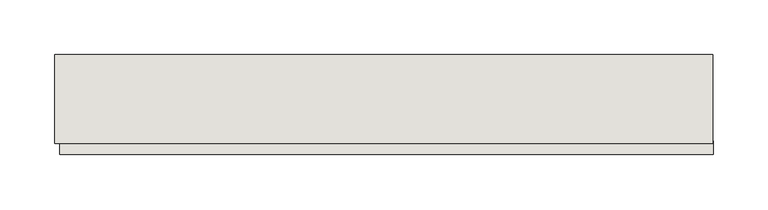
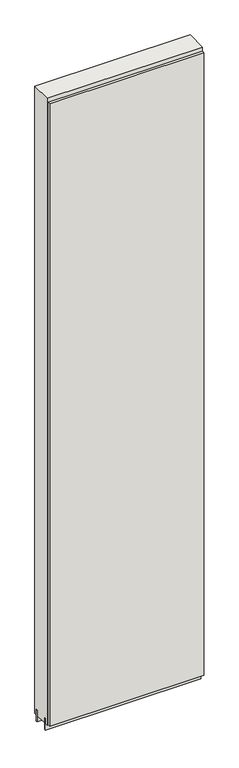
"""IFC4 building model written with IfcOpenShell, lengths in millimetres: wall geometry."""

from ifc_helpers import new_model, si_unit, frame, origin, place, context, project, spatial, polyline, outline, extrude, source, transform, mapped, element, save


def wall_1e6590e9(model_context):
    return source(origin(), model_context, "Body", "SweptSolid", [
        extrude(outline(polyline([(53894.968918, -47669.4636398), (53897.508918, -47669.4636398), (53897.508918, -47672.0036398), (53894.968918, -47672.0036398), (53894.968918, -47669.4636398)])), frame((0.0, 0.0, 4419.6), z_axis=(0.0, 0.0, 1.0), x_axis=(1.0, 0.0, 0.0)), (0.0, 0.0, 1.0), 2.54),
        extrude(outline(polyline([(53897.9741444, -47721.5336398), (53301.3740168, -47721.5336398), (53301.3740168, -47708.8336398), (53897.9741444, -47708.8336398), (53897.9741444, -47721.5336398)])), frame((0.0, 0.0, 4445.0), z_axis=(0.0, 0.0, 1.0), x_axis=(1.0, 0.0, 0.0)), (0.0, 0.0, 1.0), 2545.0498756),
        extrude(outline(polyline([(53296.8956666, -47695.8142856), (53897.503965, -47695.8142856), (53897.503965, -47700.8961398), (53296.8956666, -47700.8961398), (53296.8956666, -47695.8142856)])), frame((0.0, 0.0, 4418.6602), z_axis=(0.0, 0.0, 1.0), x_axis=(1.0, 0.0, 0.0)), (0.0, 0.0, 1.0), 47.625),
        extrude(outline(polyline([(53296.8956666, -47695.8142856), (53897.503965, -47695.8142856), (53897.503965, -47700.8961398), (53296.8956666, -47700.8961398), (53296.8956666, -47695.8142856)])), frame((0.0, 0.0, 4418.6602), z_axis=(0.0, 0.0, 1.0), x_axis=(1.0, 0.0, 0.0)), (0.0, 0.0, 1.0), 47.625),
        extrude(outline(polyline([(53897.503965, -47645.6498952), (53296.8956666, -47645.6498952), (53296.8956666, -47640.5711398), (53897.503965, -47640.5711398), (53897.503965, -47645.6498952)])), frame((0.0, 0.0, 4418.6602), z_axis=(0.0, 0.0, 1.0), x_axis=(1.0, 0.0, 0.0)), (0.0, 0.0, 1.0), 47.625),
        extrude(outline(polyline([(53897.503965, -47645.6498952), (53296.8956666, -47645.6498952), (53296.8956666, -47640.5711398), (53897.503965, -47640.5711398), (53897.503965, -47645.6498952)])), frame((0.0, 0.0, 4418.6602), z_axis=(0.0, 0.0, 1.0), x_axis=(1.0, 0.0, 0.0)), (0.0, 0.0, 1.0), 47.625),
        extrude(outline(polyline([(53296.920457, -47711.3854254), (53296.920457, -47630.10667), (53897.503965, -47630.10667), (53897.503965, -47711.3854254), (53296.920457, -47711.3854254)])), frame((0.0, 0.0, 4445.0), z_axis=(0.0, 0.0, 1.0), x_axis=(1.0, 0.0, 0.0)), (0.0, 0.0, 1.0), 2562.4536762),
    ])


if __name__ == "__main__":
    model = new_model("IFC4")
    model_context = context("Model", 3, world=origin())
    ifc_project = project(units=[si_unit("LENGTHUNIT", "METRE", prefix="MILLI")], contexts=[model_context])
    site = spatial("IfcSite", under=ifc_project)
    building = spatial("IfcBuilding", under=site)
    placement = place(None, origin())
    wall_shape = wall_1e6590e9(model_context)
    element("IfcWall", 1, at=placement, inside=building, context=model_context, shape_type="MappedRepresentation", body=[
        mapped(wall_shape, transform((0.0, 0.0, 0.0), x_axis=(1.0, 0.0, 0.0), y_axis=(0.0, 1.0, 0.0), z_axis=(0.0, 0.0, 1.0))),
    ])
    save(model, "model.ifc")
